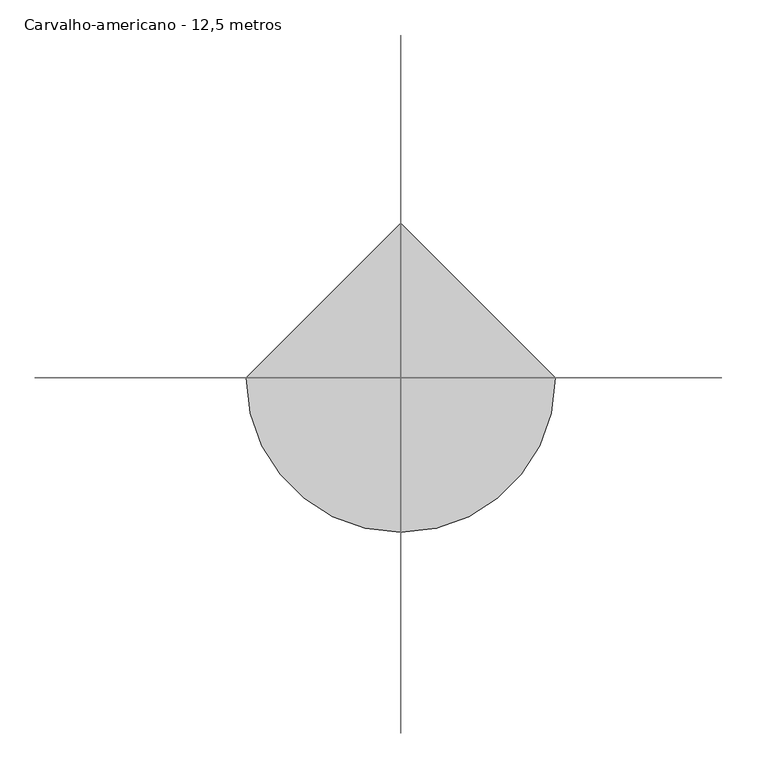
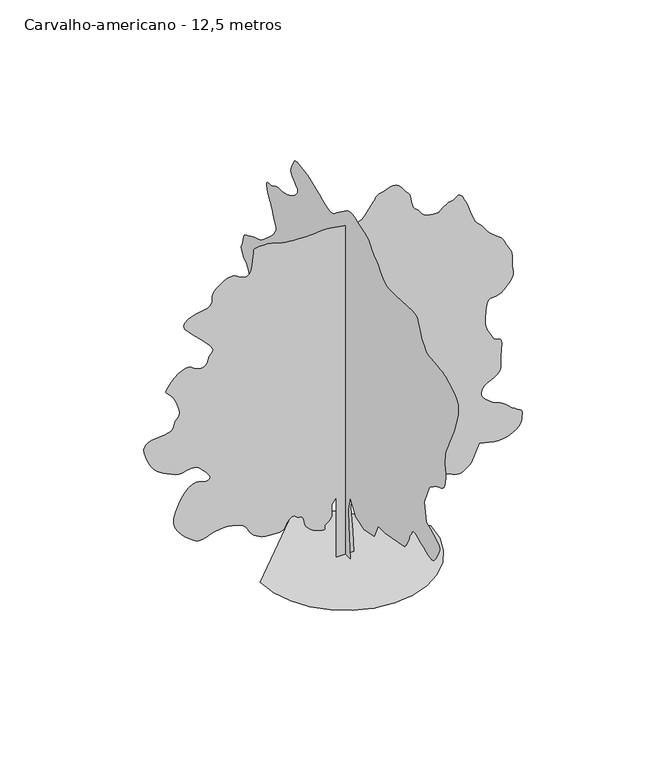
"""IFC4 building model written with IfcOpenShell, lengths in millimetres: geographic element geometry, Carvalho-americano - 12,5 metros."""

from ifc_helpers import new_model, si_unit, origin, place, context, project, spatial, triangles, source, transform, mapped, element, save


def carvalho_americano_12_5_metros_13b38d7d(model_context):
    return source(origin(), model_context, "Body", "Tessellation", [
        triangles([(0.0172504, 306.0074844, 0.0), (0.0172504, -293.5650026, 0.0), (0.0172504, -196.8600042, 1141.1199549), (0.0172504, -177.5184886, 1682.6674953), (0.0172504, -293.5650026, 2185.5349113), (0.0172504, -603.0224945, 1682.6674953), (0.0172504, -1105.8875124, 1527.9400211), (0.0172504, -1686.1174301, 1663.3275421), (0.0172504, -1918.2099495, 2146.8525341), (0.0172504, -2324.3725124, 2146.8525341), (0.0172504, -3446.1498253, 2359.6049549), (0.0172504, -3487.4249222, 2409.394939), (0.0172504, -3527.7000801, 2459.5225479), (0.0172504, -3565.9250725, 2510.3249702), (0.0172504, -3601.0999603, 2562.1500046), (0.0172504, -3632.2248047, 2615.3249565), (0.0172504, -3658.2749588, 2670.2000954), (0.0172504, -3678.2499023, 2727.0748215), (0.0172504, -3697.649881, 2785.6750237), (0.0172504, -3722.1248405, 2845.2748741), (0.0172504, -3750.8248329, 2905.7249634), (0.0172504, -3782.89991, 2966.8500114), (0.0172504, -3817.5248314, 3028.475029), (0.0172504, -3853.8249413, 3090.4500252), (0.0172504, -3890.9999977, 3152.5750122), (0.0172504, -3908.7000801, 3172.6499496), (0.0172504, -3933.1750397, 3188.8498329), (0.0172504, -3971.1750458, 3197.2499016), (0.0172504, -4029.4749756, 3193.9748108), (0.0172504, -4114.8499969, 3175.1500877), (0.0172504, -4234.0499886, 3136.8498093), (0.0172504, -4393.8498276, 3075.2250824), (0.0172504, -4562.5749939, 3002.6998581), (0.0172504, -4706.2499451, 2937.9750298), (0.0172504, -4828.2750549, 2886.4249786), (0.0172504, -4932.0251175, 2853.4999535), (0.0172504, -5020.8999252, 2844.5999153), (0.0172504, -5098.249855, 2865.1248253), (0.0172504, -5167.4996979, 2920.4999336), (0.0172504, -5237.3750839, 3007.7248421), (0.0172504, -5309.5997452, 3113.9000473), (0.0172504, -5377.0996948, 3229.5499649), (0.0172504, -5432.7497864, 3345.1998825), (0.0172504, -5469.4498718, 3451.3750877), (0.0172504, -5480.1248016, 3538.6249947), (0.0172504, -5457.6250122, 3597.424894), (0.0172504, -5402.6498795, 3641.6998077), (0.0172504, -5323.3000717, 3691.0249947), (0.0172504, -5223.6747574, 3744.5999222), (0.0172504, -5107.774855, 3801.5499344), (0.0172504, -4979.7251129, 3861.0500816), (0.0172504, -4843.5499947, 3922.224836), (0.0172504, -4703.3248329, 3984.2498291), (0.0172504, -4587.2749397, 4641.8498062), (0.0172504, -4877.3749649, 5318.7747665), (0.0172504, -4886.5249878, 5331.7001404), (0.0172504, -4900.7247025, 5347.4747589), (0.0172504, -4925.0999588, 5369.0251877), (0.0172504, -4964.6748688, 5399.20009), (0.0172504, -5024.5497025, 5440.8498734), (0.0172504, -5109.8247299, 5496.8999405), (0.0172504, -5225.5246445, 5570.225116), (0.0172504, -5351.0501221, 5636.6501312), (0.0172504, -5462.3497238, 5680.0498077), (0.0172504, -5559.4501923, 5715.3499786), (0.0172504, -5642.3497833, 5757.424736), (0.0172504, -5711.0246613, 5821.1499161), (0.0172504, -5765.4998245, 5921.4001923), (0.0172504, -5805.7496933, 6073.0746552), (0.0172504, -5829.0500153, 6222.0498642), (0.0172504, -5835.7501877, 6317.5748474), (0.0172504, -5830.6249191, 6379.6001312), (0.0172504, -5818.3750854, 6428.1000778), (0.0172504, -5803.7748138, 6483.0246323), (0.0172504, -5791.5499786, 6564.3249023), (0.0172504, -5786.4247101, 6691.9996674), (0.0172504, -5788.2251816, 6832.849791), (0.0172504, -5796.1246994, 6949.6746368), (0.0172504, -5813.8247818, 7056.3751007), (0.0172504, -5845.0496201, 7166.7747574), (0.0172504, -5893.550148, 7294.7750839), (0.0172504, -5963.0249771, 7454.2496521), (0.0172504, -6057.1750443, 7659.049942), (0.0172504, -6146.5748199, 7844.1746887), (0.0172504, -6206.1746704, 7955.8748474), (0.0172504, -6246.4751175, 8024.9497009), (0.0172504, -6277.9999374, 8082.1746964), (0.0172504, -6311.2246536, 8158.3496979), (0.0172504, -6356.599791, 8284.2751511), (0.0172504, -6424.6747055, 8490.6997604), (0.0172504, -6498.0248795, 8729.4997192), (0.0172504, -6547.3747742, 8935.1499573), (0.0172504, -6565.2498459, 9112.3746048), (0.0172504, -6544.199968, 9265.925116), (0.0172504, -6476.8250107, 9400.5250397), (0.0172504, -6355.6498489, 9520.8996689), (0.0172504, -6173.2249374, 9631.8248749), (0.0172504, -5996.2246948, 9723.0001236), (0.0172504, -5879.7998245, 9785.7747803), (0.0172504, -5799.2250916, 9827.2001587), (0.0172504, -5729.799678, 9854.4496582), (0.0172504, -5646.85009, 9874.575174), (0.0172504, -5525.6749283, 9894.699527), (0.0172504, -5341.575119, 9921.9501892), (0.0172504, -5144.0999634, 9943.4244598), (0.0172504, -4990.9500092, 9951.725116), (0.0172504, -4869.5998581, 9962.0244873), (0.0172504, -4767.5499825, 9989.5995483), (0.0172504, -4672.2499855, 10049.6493713), (0.0172504, -4571.2000488, 10157.425351), (0.0172504, -4451.8750648, 10328.0998169), (0.0172504, -4347.6750298, 10515.7499908), (0.0172504, -4286.1000092, 10666.5500885), (0.0172504, -4245.8498497, 10783.8243256), (0.0172504, -4205.5749825, 10871.0003998), (0.0172504, -4143.9999619, 10931.4501984), (0.0172504, -4039.7999268, 10968.5502594), (0.0172504, -3871.650016, 10985.7003754), (0.0172504, -2943.2749969, 10927.6748474), (0.0172504, -2772.1499771, 10930.6746643), (0.0172504, -2632.8250511, 10930.2746887), (0.0172504, -2514.4500092, 10937.3242584), (0.0172504, -2406.244986, 10962.6250397), (0.0172504, -2297.3599171, 11017.0496246), (0.0172504, -2176.9724979, 11111.3752625), (0.0172504, -2034.2549011, 11256.4745453), (0.0172504, -1896.7275398, 11403.0249023), (0.0172504, -1793.7049038, 11502.8746216), (0.0172504, -1717.0749882, 11568.5752625), (0.0172504, -1658.7124168, 11612.6248993), (0.0172504, -1610.5024235, 11647.5250946), (0.0172504, -1564.3199226, 11685.7995026), (0.0172504, -1512.0500027, 11739.9996826), (0.0172504, -1461.8649845, 11803.9992645), (0.0172504, -1420.8125484, 11863.6002777), (0.0172504, -1379.087479, 11919.1503754), (0.0172504, -1326.8724976, 11970.9495392), (0.0172504, -1254.3574471, 12019.4000702), (0.0172504, -1151.7299904, 12064.7996246), (0.0172504, -1009.182514, 12107.4749268), (0.0172504, -849.1549999, 12154.4999634), (0.0172504, -699.9524792, 12206.6002716), (0.0172504, -560.5600064, 12254.6496643), (0.0172504, -429.9675053, 12289.4998627), (0.0172504, -307.1549798, 12302.0246796), (0.0172504, -191.1079934, 12283.0746735), (0.0172504, -80.8134993, 12223.5248199), (0.0172504, 499.4174812, 11798.0252106), (0.0172504, 562.2325061, 11740.8496307), (0.0172504, 623.0199657, 11688.7493225), (0.0172504, 689.217524, 11646.7751404), (0.0172504, 768.2749804, 11620.0500275), (0.0172504, 867.6299623, 11613.6248383), (0.0172504, 994.7275097, 11632.5748444), (0.0172504, 1157.0125168, 11681.9753174), (0.0172504, 1341.1749676, 11755.3243286), (0.0172504, 1526.6899521, 11837.8251068), (0.0172504, 1710.1749733, 11922.0246185), (0.0172504, 1888.2475342, 12000.4500641), (0.0172504, 2057.5249924, 12065.6995697), (0.0172504, 2214.6199093, 12110.3003357), (0.0172504, 2356.1550201, 12126.8249084), (0.0172504, 2484.8875694, 12135.849939), (0.0172504, 2604.4750374, 12156.3742676), (0.0172504, 2712.9248131, 12178.575238), (0.0172504, 2808.1498146, 12192.6743774), (0.0172504, 2888.1748718, 12188.8501923), (0.0172504, 2950.9248207, 12157.2753754), (0.0172504, 2994.400074, 12088.1249451), (0.0172504, 3033.2500282, 12001.2500153), (0.0172504, 3077.8499222, 11921.1246735), (0.0172504, 3119.7499809, 11845.0502472), (0.0172504, 3150.4998482, 11770.3245758), (0.0172504, 3161.6000427, 11694.2745667), (0.0172504, 3144.6249161, 11614.1503876), (0.0172504, 3091.124984, 11527.2498779), (0.0172504, 3009.2500397, 11447.6245056), (0.0172504, 2921.5998665, 11385.2492432), (0.0172504, 2841.4248184, 11331.3502075), (0.0172504, 2781.8749649, 11277.1000305), (0.0172504, 2756.1750801, 11213.7248291), (0.0172504, 2777.4749428, 11132.4251404), (0.0172504, 2859.0249069, 11024.3747589), (0.0172504, 2971.6250107, 10916.724353), (0.0172504, 3077.7999252, 10838.2000763), (0.0172504, 3178.2249001, 10782.3), (0.0172504, 3273.574894, 10742.6745117), (0.0172504, 3364.5248657, 10712.8251709), (0.0172504, 3451.7750633, 10686.4000397), (0.0172504, 3535.9498672, 10656.8995148), (0.0172504, 3620.024968, 10634.1753204), (0.0172504, 3706.4749237, 10626.6746155), (0.0172504, 3795.2750267, 10625.9502411), (0.0172504, 3886.4499847, 10623.5248077), (0.0172504, 3979.9997978, 10610.9499939), (0.0172504, 4075.9250473, 10579.7495728), (0.0172504, 4174.1998627, 10521.5252197), (0.0172504, 4275.775058, 10469.7993073), (0.0172504, 4375.6250679, 10451.2492767), (0.0172504, 4464.9998451, 10446.8995422), (0.0172504, 4535.0999268, 10437.8245148), (0.0172504, 4577.0999794, 10405.075351), (0.0172504, 4582.2249573, 10329.6753021), (0.0172504, 4541.6998146, 10192.7243591), (0.0172504, 4481.7999825, 10048.5994354), (0.0172504, 4432.0748199, 9951.4995483), (0.0172504, 4388.424868, 9882.1247131), (0.0172504, 4346.824791, 9821.224942), (0.0172504, 4303.174839, 9749.4996689), (0.0172504, 4253.4249687, 9647.6750702), (0.0172504, 4193.5498444, 9496.4499985), (0.0172504, 4130.2749275, 9347.6997757), (0.0172504, 4075.8250534, 9253.7496964), (0.0172504, 4034.1999779, 9195.999733), (0.0172504, 4009.500032, 9155.8498581), (0.0172504, 4005.7749687, 9114.7000443), (0.0172504, 4027.0998299, 9053.8996857), (0.0172504, 4077.4999512, 8954.8999146), (0.0172504, 4167.2249977, 8823.6747849), (0.0172504, 4293.1248711, 8684.3501495), (0.0172504, 4439.3499573, 8545.349913), (0.0172504, 4589.9500671, 8415.1497208), (0.0172504, 4729.0750053, 8302.1996384), (0.0172504, 4840.7748734, 8214.9747299), (0.0172504, 4909.1747681, 8161.9000626), (0.0172504, 4969.9001312, 8128.6997635), (0.0172504, 5061.0747986, 8095.1500671), (0.0172504, 5170.5250946, 8060.9248306), (0.0172504, 5286.0750183, 8025.6746567), (0.0172504, 5395.524733, 7989.0751465), (0.0172504, 5486.6999817, 7950.8001572), (0.0172504, 5547.4247635, 7910.4747116), (0.0172504, 5598.275148, 7876.9750122), (0.0172504, 5663.0246841, 7853.2997131), (0.0172504, 5734.1749924, 7830.2999542), (0.0172504, 5804.3247803, 7798.8251312), (0.0172504, 5866.0250839, 7749.7746368), (0.0172504, 5911.8001968, 7673.9746124), (0.0172504, 5934.2499893, 7562.325032), (0.0172504, 5952.6250305, 7450.1749008), (0.0172504, 5984.1998474, 7370.8500916), (0.0172504, 6018.4750809, 7312.1496048), (0.0172504, 6044.9996246, 7261.899765), (0.0172504, 6053.224704, 7207.9501511), (0.0172504, 6032.699794, 7138.074765), (0.0172504, 5972.9249542, 7040.1249298), (0.0172504, 5898.7248322, 6948.3747162), (0.0172504, 5838.7250061, 6893.5251572), (0.0172504, 5788.2001831, 6857.9500031), (0.0172504, 5742.4000717, 6824.0497467), (0.0172504, 5696.6249588, 6774.2498795), (0.0172504, 5646.1001358, 6690.9747299), (0.0172504, 5586.0997284, 6556.5997925), (0.0172504, 5520.6996506, 6421.9998688), (0.0172504, 5460.6998245, 6337.1498154), (0.0172504, 5411.5249191, 6283.0746277), (0.0172504, 5378.6001846, 6240.824881), (0.0172504, 5367.3247101, 6191.4999847), (0.0172504, 5383.09991, 6116.0999359), (0.0172504, 5431.3748703, 5995.7247253), (0.0172504, 5495.5000259, 5864.0496231), (0.0172504, 5555.8748291, 5761.8250488), (0.0172504, 5613.5747955, 5680.5747757), (0.0172504, 5669.5498672, 5611.8249023), (0.0172504, 5724.8749786, 5547.1497803), (0.0172504, 5780.5250702, 5478.0749268), (0.0172504, 5837.5250793, 5396.1496948), (0.0172504, 5903.6751114, 5315.3499756), (0.0172504, 5980.6500641, 5249.4249298), (0.0172504, 6060.324852, 5189.6000931), (0.0172504, 6134.5999695, 5127.0498413), (0.0172504, 6195.3247513, 5053.0247086), (0.0172504, 6234.3996918, 4958.6746536), (0.0172504, 6243.6997055, 4835.2499199), (0.0172504, 6251.5248093, 4738.3250221), (0.0172504, 6280.349794, 4706.349939), (0.0172504, 6313.2251129, 4704.825032), (0.0172504, 6333.2500534, 4699.249791), (0.0172504, 6323.4750687, 4655.0998695), (0.0172504, 6267.0500244, 4537.8750481), (0.0172504, 6146.999794, 4313.0498177), (0.0172504, 6021.4748978, 4060.8748032), (0.0172504, 5945.6998718, 3875.3750793), (0.0172504, 5898.3248566, 3742.6250427), (0.0172504, 5858.0749878, 3648.7999557), (0.0172504, 5803.5998245, 3580.0000854), (0.0172504, 5713.6000854, 3522.3748238), (0.0172504, 5566.7747452, 3462.0500175), (0.0172504, 5397.2496277, 3413.0998077), (0.0172504, 5248.0500137, 3392.5748978), (0.0172504, 5111.0246567, 3390.9999939), (0.0172504, 4978.0746323, 3398.8998024), (0.0172504, 4841.0498566, 3406.7749031), (0.0172504, 4691.8499519, 3405.1999992), (0.0172504, 4522.3498329, 3384.6750893), (0.0172504, 4353.2999771, 3366.3000481), (0.0172504, 4207.2498802, 3370.249807), (0.0172504, 4078.7998718, 3385.7000267), (0.0172504, 3962.5249924, 3401.8249146), (0.0172504, 3853.0249901, 3407.7998405), (0.0172504, 3744.8749054, 3392.799884), (0.0172504, 3632.6500694, 3345.9998337), (0.0172504, 3525.249939, 3296.2499634), (0.0172504, 3436.4248375, 3270.1998093), (0.0172504, 3368.249929, 3253.6249489), (0.0172504, 3322.75009, 3232.3250862), (0.0172504, 3301.9499062, 3192.0499283), (0.0172504, 3307.8748352, 3118.6500481), (0.0172504, 3342.5500443, 2997.8498634), (0.0172504, 3398.4748283, 2869.5248474), (0.0172504, 3465.5748024, 2778.7248665), (0.0172504, 3542.0000793, 2719.2500084), (0.0172504, 3625.8499031, 2684.8000763), (0.0172504, 3715.274968, 2669.1248703), (0.0172504, 3808.4248055, 2665.9500641), (0.0172504, 3903.4248207, 2669.0498749), (0.0172504, 4270.9250633, 2262.8999565), (0.0172504, 4299.7250496, 2217.1674282), (0.0172504, 4327.3498169, 2170.5925095), (0.0172504, 4352.6250183, 2122.3249615), (0.0172504, 4374.3248566, 2071.5174522), (0.0172504, 4391.2999832, 2017.3299168), (0.0172504, 4402.3498901, 1958.9124069), (0.0172504, 4406.2999397, 1895.4199162), (0.0172504, 4405.6249809, 1829.2200325), (0.0172504, 4400.8999786, 1763.6974331), (0.0172504, 4388.0248924, 1699.5299835), (0.0172504, 4362.9999664, 1637.3900265), (0.0172504, 4321.7248695, 1577.9574623), (0.0172504, 4260.1498489, 1521.9075405), (0.0172504, 4174.1998627, 1469.9175453), (0.0172504, 4092.2249245, 1425.7650078), (0.0172504, 4034.5999535, 1391.4249527), (0.0172504, 3985.4250481, 1364.8674168), (0.0172504, 3928.800016, 1344.0599659), (0.0172504, 3848.8499542, 1326.9749622), (0.0172504, 3729.6499626, 1311.5799717), (0.0172504, 3555.2998489, 1295.8475018), (0.0172504, 3356.9750359, 1298.1024513), (0.0172504, 3174.2248535, 1332.8375404), (0.0172504, 3003.6500908, 1392.27243), (0.0172504, 2841.8750816, 1468.6199501), (0.0172504, 2685.525032, 1554.1049938), (0.0172504, 2531.1748604, 1640.9424259), (0.0172504, 2375.4949734, 1721.3500179), (0.0172504, 2236.6674007, 1794.4849434), (0.0172504, 2129.3049133, 1863.5599422), (0.0172504, 2044.6099377, 1926.8850014), (0.0172504, 1973.7875164, 1982.7650208), (0.0172504, 1908.0399307, 2029.5099873), (0.0172504, 1838.5700432, 2065.4300331), (0.0172504, 1756.5824604, 2088.8299129), (0.0172504, 1666.4174698, 2108.5649002), (0.0172504, 1577.6074837, 2133.0375343), (0.0172504, 1489.134977, 2159.8799366), (0.0172504, 1399.9875114, 2186.7200134), (0.0172504, 1309.1449459, 2211.1925022), (0.0172504, 1215.5974583, 2230.9274895), (0.0172504, 1118.3299942, 2243.5575325), (0.0172504, 1018.8625191, 2250.1549496), (0.0172504, 919.3925005, 2253.7074944), (0.0172504, 819.9249527, 2254.7224033), (0.0172504, 720.4574776, 2253.7074944), (0.0172504, 620.9900024, 2251.1700039), (0.0172504, 521.5199839, 2247.6174591), (0.0172504, 422.0525087, 2243.5575325), (0.0172504, 228.6430025, 1953.4425373), (0.0172504, 189.960498, 1508.5999226), (280.4450004, 0.0006008, 0.0092122), (-299.78499, 0.0006008, 0.0092122), (-299.78499, 0.0004756, 2127.5199932), (-454.5149895, 0.0004756, 1914.7698978), (-454.5149895, 0.0005007, 1682.6775238), (-450.962481, 0.0005007, 1628.8274677), (-450.962481, 0.0005007, 1575.1449886), (-458.0674979, 0.0005007, 1521.8024597), (-475.8274967, 0.0005257, 1468.967458), (-507.8000001, 0.0005257, 1416.8100311), (-557.5350094, 0.0005257, 1365.4949947), (-628.5824896, 0.0005257, 1315.1974834), (-684.2375227, 0.0005257, 1262.982502), (-699.6325132, 0.0005257, 1210.0899456), (-696.0799685, 0.0005257, 1162.9524885), (-694.8950117, 0.0005257, 1127.990015), (-717.3950191, 0.0005257, 1111.6374521), (-784.8899546, 0.0005257, 1120.3224598), (-918.6974848, 0.0005257, 1160.4700092), (-1071.3399845, 0.0005257, 1223.0050003), (-1185.4124548, 0.0005257, 1293.6575191), (-1267.3424103, 0.0005257, 1371.0799736), (-1323.5625252, 0.0005257, 1453.9124176), (-1360.49748, 0.0005007, 1540.8049335), (-1384.5749348, 0.0005007, 1630.4049877), (-1402.2250202, 0.0005007, 1721.359901), (-1406.7349194, 0.0005007, 1746.1124599), (-1413.4449749, 0.0005007, 1770.1899147), (-1424.5524364, 0.0005007, 1792.9174519), (-1442.2599312, 0.0005007, 1813.6099388), (-1468.7599125, 0.0005007, 1831.5975037), (-1506.2599491, 0.0005007, 1846.2024261), (-1556.9524944, 0.0005007, 1856.747422), (-1607.6450397, 0.0005007, 1874.1124958), (-1647.509903, 0.0005007, 1903.3224861), (-1682.3024014, 0.0004756, 1934.8999191), (-1717.7700039, 0.0004756, 1959.3724079), (-1759.6674465, 0.0004756, 1967.2674202), (-1813.7424889, 0.0004756, 1949.1099529), (-1885.7500122, 0.0005007, 1895.4274738), (-1949.0724552, 0.0005007, 1820.3199944), (-1984.9925011, 0.0005007, 1746.902528), (-2011.0999191, 0.0005007, 1679.2374722), (-2044.9875309, 0.0005007, 1621.382428), (-2104.2525181, 0.0005007, 1577.402409), (-2206.4824699, 0.0005007, 1551.3499294), (-2369.2750042, 0.0005007, 1547.2900028), (-2549.149926, 0.0005007, 1559.2449417), (-2695.2000229, 0.0005007, 1578.979929), (-2813.8250496, 0.0005007, 1607.1750103), (-2911.4999016, 0.0005007, 1644.5025284), (-2994.6250603, 0.0005007, 1691.6425289), (-3069.5998444, 0.0005007, 1749.2724415), (-3142.9250198, 0.0005007, 1818.0648994), (-3205.1000038, 0.0005007, 1893.5100037), (-3249.7248962, 0.0004756, 1969.2975288), (-3287.549913, 0.0004756, 2043.389954), (-3329.4499718, 0.0004756, 2113.7624027), (-3386.2249947, 0.0004756, 2178.3824409), (-3468.7249008, 0.0004756, 2235.2224308), (-3587.7499031, 0.0004756, 2282.2499382), (-3707.4248657, 0.0004756, 2317.9974655), (-3794.2497986, 0.0004506, 2343.2600224), (-3862.8249733, 0.0004506, 2359.3875263), (-3927.674794, 0.0004506, 2367.7325111), (-4003.3248276, 0.0004506, 2369.6499813), (-4104.3750549, 0.0004506, 2366.4924706), (-4245.3498802, 0.0004506, 2359.6125126), (-4400.3500122, 0.0004506, 2335.1974331), (-4538.1250328, 0.0004756, 2289.8050003), (-4665.0498436, 0.0004756, 2240.3524956), (-4787.5749229, 0.0004756, 2203.7574909), (-4912.1501678, 0.0004756, 2196.9349422), (-5045.1501892, 0.0004756, 2236.7999508), (-5193.0498825, 0.0004506, 2340.272414), (-5347.7997391, 0.0004506, 2478.6475433), (-5490.6747391, 0.0004506, 2615.9999153), (-5612.2498764, 0.0004256, 2758.4499413), (-5703.0251495, 0.0004256, 2912.049868), (-5753.5499725, 0.0004256, 3082.8999046), (-5754.3499237, 0.0004005, 3277.0999695), (-5695.9250015, 0.0004005, 3500.7249825), (-5598.1501556, 0.0003755, 3726.2748779), (-5489.1998291, 0.0003755, 3919.6999901), (-5372.1499969, 0.0003505, 4077.2499664), (-5250.0248932, 0.0003505, 4195.2000343), (-5125.8499146, 0.0003505, 4269.8498383), (-5002.6998734, 0.0003505, 4297.4998947), (-4883.6001663, 0.0003505, 4274.3748528), (-4771.2750458, 0.0003505, 4235.4749016), (-4671.8250114, 0.0003505, 4218.8750427), (-4593.3248611, 0.0003505, 4225.6499199), (-4543.9249695, 0.0003505, 4256.7750549), (-4531.7498405, 0.0003505, 4313.2748039), (-4564.899852, 0.0003505, 4396.1749763), (-4651.4997986, 0.0003254, 4506.4749298), (-4752.500029, 0.0003254, 4617.0998634), (-4829.4749817, 0.0003254, 4702.3498924), (-4891.5496811, 0.0003254, 4765.2748306), (-4947.8747314, 0.0003254, 4808.9247826), (-5007.6001556, 0.0003254, 4836.3248543), (-5079.8248169, 0.0003004, 4850.5498581), (-5173.7248993, 0.0003004, 4854.5999016), (-5270.0248352, 0.0003254, 4845.5248741), (-5349.7751999, 0.0003254, 4824.5999886), (-5422.3998367, 0.0003254, 4801.3249557), (-5497.39991, 0.0003254, 4785.1247818), (-5584.2248428, 0.0003254, 4785.5250481), (-5692.3746368, 0.0003254, 4811.9748871), (-5831.3248764, 0.0003004, 4873.9498833), (-5978.7751785, 0.0003004, 4948.0997177), (-6108.6248108, 0.0003004, 5012.4248611), (-6224.624707, 0.0003004, 5078.4748993), (-6330.4496429, 0.0003004, 5157.6997147), (-6429.8749695, 0.0003004, 5261.5997681), (-6526.574881, 0.0002754, 5401.7249359), (-6624.2997299, 0.0002754, 5589.5750977), (-6705.1000305, 0.0002503, 5784.4998276), (-6749.6996338, 0.0002503, 5941.2001465), (-6759.8001801, 0.0002503, 6064.0746231), (-6737.074823, 0.0002253, 6157.4997345), (-6683.2246216, 0.0002253, 6225.8996292), (-6599.9500534, 0.0002253, 6273.6496216), (-6488.899855, 0.0002253, 6305.1750229), (-6357.7997177, 0.0002253, 6323.2750809), (-6219.2750336, 0.0002253, 6333.9500107), (-6082.3996674, 0.0002253, 6346.2748398), (-5956.3748016, 0.0002253, 6369.4501694), (-5850.3248795, 0.0002253, 6412.5998611), (-5773.3499268, 0.0002253, 6484.8251038), (-5734.5999664, 0.0002003, 6595.2997559), (-5705.9749695, 0.0002003, 6701.9746399), (-5661.749762, 0.0002003, 6771.4500504), (-5614.8497177, 0.0002003, 6825.699646), (-5578.0746368, 0.0002003, 6886.6999924), (-5564.3248947, 0.0001752, 6976.4747452), (-5586.4247086, 0.0001752, 7116.9998886), (-5657.2500366, 0.0001752, 7330.2496628), (-5757.5497284, 0.0001502, 7540.2996323), (-5853.4746872, 0.0001502, 7672.5247009), (-5935.8498917, 0.0001502, 7750.975145), (-5995.5747345, 0.0001252, 7799.6250824), (-6023.4747757, 0.0001252, 7842.5247894), (-6010.4499893, 0.0001252, 7903.7251236), (-5947.3497711, 0.0001252, 8007.1996216), (-5845.6501648, 0.0001252, 8136.3248795), (-5728.0247864, 0.0001001, 8253.9496765), (-5602.2749039, 0.0001001, 8353.3000076), (-5476.1750427, 0.0001001, 8427.6251221), (-5357.5497253, 0.0001001, 8470.1248535), (-5254.1246429, 0.0001001, 8474.0746124), (-5173.7248993, 0.0001001, 8432.6998123), (-5094.9000595, 0.0001001, 8371.00009), (-4997.8001724, 0.0001001, 8322.8501221), (-4892.5751999, 0.0001001, 8294.6500992), (-4789.3748131, 0.0001001, 8292.8496277), (-4698.3748444, 0.0001001, 8323.8750595), (-4629.6999664, 0.0001001, 8394.1248413), (-4593.4998505, 0.0001001, 8510.0497421), (-4560.3248405, 0.0001001, 8620.5749725), (-4508.224823, 7.51e-05, 8686.1000427), (-4458.4999512, 7.51e-05, 8730.2996704), (-4432.4497971, 7.51e-05, 8776.8747345), (-4451.3998032, 7.51e-05, 8849.4999527), (-4536.6498322, 7.51e-05, 8971.8750412), (-4709.5500343, 5.01e-05, 9167.6497192), (-4926.3498825, 5.01e-05, 9388.7995926), (-5120.1496811, 2.5e-05, 9575.0998489), (-5277.4249649, 2.5e-05, 9731.9745758), (-5384.5998184, 2.5e-05, 9864.8246063), (-5428.2000641, 0.0, 9979.0746094), (-5394.6497864, 0.0, 10080.1254181), (-5270.4248108, 0.0, 10173.3743774), (-5104.7500397, 0.0, 10245.2246429), (-4956.3497955, 0.0, 10286.2744629), (-4825.8749107, 0.0, 10308.3742767), (-4714.0000534, -2.5e-05, 10323.3745239), (-4621.3998917, -2.5e-05, 10343.1000641), (-4548.7749641, -2.5e-05, 10379.4245911), (-4496.7749405, -2.5e-05, 10444.1497101), (-4470.8500694, -2.5e-05, 10520.7252686), (-4466.9000198, -2.5e-05, 10587.8246613), (-4471.4000359, -2.5e-05, 10650.1999237), (-4470.8500694, -2.5e-05, 10712.5751862), (-4451.6747864, -5.01e-05, 10779.6745789), (-4400.3500122, -5.01e-05, 10856.2501373), (-4303.3748268, -5.01e-05, 10947.0248291), (-4184.6748047, -5.01e-05, 11036.8495789), (-4076.1250351, -5.01e-05, 11106.7243835), (-3976.0500389, -7.51e-05, 11155.5993073), (-3882.7249214, -7.51e-05, 11182.4999908), (-3794.4750755, -7.51e-05, 11186.3997528), (-3709.6000237, -7.51e-05, 11166.2498199), (-3626.4498665, -5.01e-05, 11121.1002502), (-3540.7248665, -5.01e-05, 11065.9001312), (-3452.3250298, -5.01e-05, 11022.8748505), (-3365.6000908, -5.01e-05, 11001.8249725), (-3284.9500717, -5.01e-05, 11012.5998962), (-3214.7999931, -5.01e-05, 11064.9746063), (-3159.5498772, -7.51e-05, 11168.7996643), (-3123.5750381, -7.51e-05, 11333.8500549), (-3102.0998955, -7.51e-05, 11511.0752838), (-3086.6999634, -0.0001001, 11648.0250641), (-3076.3750122, -0.0001001, 11749.4746857), (-3070.1248123, -0.0001001, 11820.1250244), (-3066.9000092, -0.0001001, 11864.7246277), (-3065.7250809, -0.0001001, 11888.0243683), (-3065.5500916, -0.0001001, 11894.7251221), (-3040.1248993, -0.0001001, 11898.674881), (-2971.0500458, -0.0001001, 11907.37435), (-2869.1498703, -0.0001001, 11916.0494019), (-2745.2748734, -0.0001001, 11920.0003235), (-2610.2249771, -0.0001001, 11914.4750793), (-2474.8323692, -0.0001001, 11894.7251221), (-2349.9349056, -0.0001001, 11856.0495758), (-2235.4099194, -0.0001001, 11813.024295), (-2120.5474537, -0.0001001, 11781.8494537), (-2000.2725277, -0.0001001, 11760.1251984), (-1869.507399, -0.0001001, 11745.5249268), (-1723.1824642, -0.0001001, 11735.6743652), (-1556.2175102, -0.0001001, 11728.174823), (-1363.5400269, -0.0001001, 11720.6752808), (-1177.5749971, -0.0001001, 11719.599765), (-1024.4249702, -0.0001001, 11728.6747925), (-889.5449764, -0.0001001, 11741.475174), (-758.3875025, -0.0001001, 11751.5745575), (-616.4049625, -0.0001001, 11752.5244995), (-449.0450109, -0.0001001, 11737.9253906), (-241.7632409, -0.0001001, 11701.3252991), (-32.2257492, -0.0001001, 11657.8000488), (136.7124946, -0.0001001, 11627.7995544), (271.8174929, -0.0001001, 11613.0248749), (379.8574825, -0.0001001, 11615.1503265), (467.5974758, -0.0001001, 11635.9246399), (541.8025031, -0.0001001, 11676.9744598), (609.2425, -0.0001001, 11739.9996826), (899.3574589, -0.0001252, 12107.4749268), (942.8899761, -0.0001252, 12164.1493744), (977.6249926, -0.0001252, 12217.4496094), (1008.9749685, -0.0001252, 12266.3245331), (1042.3574512, -0.0001252, 12309.7997864), (1083.1825029, -0.0001252, 12346.8498505), (1136.864982, -0.0001252, 12376.4503693), (1208.8149508, -0.0001252, 12397.6002411), (1297.0049892, -0.0001502, 12421.8499237), (1393.3149536, -0.0001502, 12454.2246918), (1494.0224693, -0.0001502, 12483.8752075), (1595.4100307, -0.0001502, 12499.9998047), (1693.7499584, -0.0001502, 12491.7747253), (1785.3224213, -0.0001502, 12448.349469), (1866.4099136, -0.0001252, 12358.9246948), (1938.4149662, -0.0001252, 12256.9251068), (2004.3324543, -0.0001252, 12177.5752991), (2062.8075188, -0.0001252, 12112.7746033), (2112.4850098, -0.0001252, 12054.4246765), (2152.0125389, -0.0001252, 11994.3748535), (2180.0374271, -0.0001001, 11924.5000488), (2195.2049606, -0.0001001, 11836.6995941), (2205.7499565, -0.0001001, 11745.6993347), (2220.3550243, -0.0001001, 11669.9248901), (2238.3424438, -0.0001001, 11606.8252533), (2259.0349308, -7.51e-05, 11553.8749969), (2281.7599972, -7.51e-05, 11508.5242767), (2305.8374519, -7.51e-05, 11468.274408), (2330.5924816, -7.51e-05, 11430.5499664), (2355.6274361, -7.51e-05, 11413.5742584), (2381.6799156, -7.51e-05, 11394.2242767), (2409.760033, -7.51e-05, 11370.1501648), (2440.8873482, -7.51e-05, 11338.9753235), (2476.0724098, -7.51e-05, 11298.3243164), (2516.3248947, -7.51e-05, 11245.8251953), (2562.6749725, -7.51e-05, 11179.1246155), (2631.3748489, -5.01e-05, 11115.7249969), (2728.4750267, -5.01e-05, 11072.3253204), (2839.7749191, -5.01e-05, 11045.1246552), (2951.0748116, -5.01e-05, 11030.4743866), (3048.1749893, -5.01e-05, 11024.6003265), (3116.8748657, -5.01e-05, 11023.8247925), (3142.9250198, -5.01e-05, 11024.4003387), (3156.2750771, -5.01e-05, 11038.3250702), (3192.9998703, -5.01e-05, 11074.2252045), (3247.9750031, -5.01e-05, 11123.3501129), (3316.1499115, -7.51e-05, 11176.8503357), (3392.4249069, -7.51e-05, 11225.9752441), (3471.7750053, -7.51e-05, 11261.8997955), (3549.0749382, -7.51e-05, 11275.824527), (3618.3750687, -7.51e-05, 11292.800235), (3679.549823, -7.51e-05, 11331.0746429), (3736.3498444, -7.51e-05, 11371.7244873), (3792.4499084, -7.51e-05, 11395.8253418), (3851.6000771, -7.51e-05, 11384.3748779), (3917.5248322, -7.51e-05, 11318.4498322), (3993.9248199, -7.51e-05, 11179.1246155), (4065.8750793, -5.01e-05, 11015.4253052), (4119.5500008, -5.01e-05, 10883.1996552), (4160.3748344, -5.01e-05, 10773.6249481), (4193.7498322, -2.5e-05, 10677.9493927), (4225.0999535, -2.5e-05, 10587.3246918), (4259.8498672, -2.5e-05, 10493.0002167), (4303.3748268, -2.5e-05, 10386.1253448), (4348.1000038, 0.0, 10292.3496735), (4386.3749931, 0.0, 10232.749823), (4423.6500435, 0.0, 10191.7744171), (4465.3248253, 0.0, 10153.824408), (4516.799881, 0.0, 10103.3495819), (4583.4998795, 0.0, 10024.7997253), (4670.850071, 0.0, 9902.6002075), (4778.3749031, 2.5e-05, 9766.6003693), (4896.3999664, 2.5e-05, 9652.9247498), (5016.4501968, 2.5e-05, 9555.474884), (5130.0746567, 5.01e-05, 9468.1999786), (5228.8000259, 5.01e-05, 9384.974826), (5304.2000748, 5.01e-05, 9299.6997986), (5347.7997391, 5.01e-05, 9206.3246841), (5382.0249756, 5.01e-05, 9114.7500412), (5429.774968, 7.51e-05, 9032.6498199), (5483.3001892, 7.51e-05, 8950.5495987), (5534.7749542, 7.51e-05, 8858.9749557), (5576.449736, 7.51e-05, 8748.4747238), (5600.5250107, 0.0001001, 8609.5250656), (5599.22509, 0.0001001, 8432.6998123), (5596.5746704, 0.0001001, 8262.7497208), (5611.174942, 0.0001252, 8138.7997284), (5627.1251312, 0.0001252, 8042.949765), (5628.5500443, 0.0001252, 7957.224765), (5599.5000732, 0.0001252, 7863.7496567), (5524.1250229, 0.0001502, 7744.5249573), (5386.474704, 0.0001502, 7581.6750137), (5223.124791, 0.0001502, 7444.9496384), (5081.4247192, 0.0001502, 7390.0750809), (4961.7000504, 0.0001502, 7378.1746445), (4864.3248894, 0.0001502, 7370.3501221), (4789.5997993, 0.0001752, 7327.6498215), (4737.9000481, 0.0001752, 7211.2249512), (4709.5250359, 0.0001752, 6982.1249817), (4698.9248108, 0.0002003, 6728.5997589), (4700.5250038, 0.0002003, 6550.1751846), (4714.6000168, 0.0002253, 6424.8996918), (4741.5748238, 0.0002253, 6330.7246262), (4781.7249893, 0.0002253, 6245.7001648), (4835.3999107, 0.0002253, 6147.7997452), (4902.950148, 0.0002503, 6015.074707), (4980.0250946, 0.0002503, 5899.6497757), (5057.7999985, 0.0002503, 5847.1500732), (5129.7996735, 0.0002503, 5825.7746338), (5189.6250916, 0.0002503, 5803.7248169), (5230.8499008, 0.0002503, 5749.1996567), (5247.0250763, 0.0002754, 5630.3749329), (5231.7498459, 0.0002754, 5415.4996765), (5210.9999496, 0.0003004, 5178.6001831), (5207.8251434, 0.0003004, 5005.3247131), (5211.4499222, 0.0003004, 4881.0997375), (5210.9999496, 0.0003254, 4791.3999802), (5195.6497238, 0.0003254, 4721.6498772), (5154.5999039, 0.0003254, 4657.3000259), (5077.0249878, 0.0003254, 4583.8248596), (4983.2998947, 0.0003254, 4514.9249954), (4900.3997223, 0.0003254, 4468.3499313), (4827.3248222, 0.0003254, 4435.6498924), (4763.0499664, 0.0003505, 4408.3498146), (4706.5499268, 0.0003505, 4378.0249214), (4656.8250549, 0.0003505, 4336.1748596), (4612.8248337, 0.0003505, 4274.3748528), (4577.8749321, 0.0003505, 4202.8248596), (4558.1249748, 0.0003505, 4135.32491), (4557.0000435, 0.0003505, 4068.8498978), (4577.8749321, 0.0003755, 4000.3250107), (4624.1000175, 0.0003755, 3926.7498505), (4699.0998001, 0.0003755, 3845.024897), (4806.2499458, 0.0003755, 3752.1750412), (4919.7997009, 0.0003755, 3670.8000664), (5016.1246353, 0.0003755, 3617.4998314), (5101.5996506, 0.0004005, 3580.1250778), (5182.6999329, 0.0004005, 3546.4748062), (5265.8000931, 0.0004005, 3504.3500519), (5357.374736, 0.0004005, 3441.5748138), (5463.8246338, 0.0004005, 3345.9998337), (5576.8497116, 0.0004005, 3247.2750458), (5681.0497467, 0.0004005, 3176.6249977), (5772.3999847, 0.0004256, 3124.2249985), (5846.8250931, 0.0004256, 3080.3000633), (5900.2747375, 0.0004256, 3035.0249199), (5928.6997467, 0.0004256, 2978.5748772), (5928.0247879, 0.0004256, 2901.1499519), (5916.924884, 0.0004256, 2813.2500847), (5910.1997131, 0.0004506, 2730.7498878), (5898.0748718, 0.0004506, 2651.975045), (5870.7247971, 0.0004506, 2575.2500771), (5818.350087, 0.0004506, 2498.8349739), (5731.1251785, 0.0004506, 2421.0748947), (5599.22509, 0.0004506, 2340.272414), (5441.7248199, 0.0004756, 2274.8624531), (5284.2501297, 0.0004756, 2240.917432), (5126.7498596, 0.0004756, 2233.1924675), (4969.2501709, 0.0004756, 2246.4425308), (4811.7748993, 0.0004756, 2275.4249187), (4654.2749199, 0.0004756, 2314.8975094), (4496.7749405, 0.0004506, 2359.6125126), (4225.9998985, 0.0005007, 1760.0424236), (4159.6498787, 0.0005007, 1702.5250042), (4092.9248817, 0.0005007, 1648.0549278), (4025.5499245, 0.0005007, 1599.675032), (3957.1500298, 0.0005007, 1560.4274277), (3887.3999268, 0.0005007, 1533.3625099), (3815.9499275, 0.0005007, 1521.5225349), (3742.4750519, 0.0005007, 1527.9499043), (3682.5999275, 0.0005007, 1542.5525013), (3644.6999153, 0.0005007, 1554.7899811), (3617.6498222, 0.0005007, 1567.0274609), (3590.2500412, 0.0005007, 1581.6299126), (3551.3248009, 0.0005007, 1600.9724819), (3489.750071, 0.0005007, 1627.4175247), (3394.3500801, 0.0005007, 1663.3374252), (3270.0748169, 0.0005007, 1715.4949974), (3134.2999649, 0.0005007, 1784.5699963), (2994.450071, 0.0005007, 1863.794957), (2857.9999695, 0.0004756, 1946.4024147), (2732.3500809, 0.0004756, 2025.6275208), (2624.9999474, 0.0004756, 2094.7025196), (2543.3499893, 0.0004756, 2146.8624172), (2474.2123489, 0.0004756, 2192.817461), (2400.0074306, 0.0004756, 2246.8925034), (2321.5699219, 0.0004756, 2307.7374813), (2239.7525322, 0.0004506, 2373.9924488), (2155.3950359, 0.0004506, 2444.3074883), (2069.3475266, 0.0004506, 2517.3248337), (1982.4550106, 0.0004506, 2591.6999451), (1963.1124413, 0.0004256, 2881.8249687), (1576.2924477, 0.0004256, 2920.4999336), (880.0149622, 0.0004256, 2862.474987), (415.8325032, 0.0004506, 2611.0499268), (222.421489, 0.0004756, 2146.8624172), (183.7397477, 0.0005007, 1605.3124786), (241.7622416, 0.0005507, 715.6274672), (-2855.9000977, 0.0, 0.0224297), (-2780.4000549, -654.3849844, 0.0224297), (-2565.3750984, -1255.3350037, 0.0224297), (-2228.0499035, -1785.6274899, 0.0224297), (-1785.6274899, -2228.0499035, 0.0224297), (-1255.3350037, -2565.3750984, 0.0224297), (-654.3849844, -2780.4000549, 0.0224297), (0.0001248, -2855.9000977, 0.0224297), (654.3849844, -2780.4000549, 0.0224297), (1255.3350037, -2565.3750984, 0.0224297), (1785.6274899, -2228.0499035, 0.0224297), (2228.0499035, -1785.6274899, 0.0224297), (2565.3750984, -1255.3350037, 0.0224297), (2780.4000549, -654.3849844, 0.0224297), (2855.9000977, 0.0002503, 0.0224297), (-0.0003745, 2855.9000977, 0.0224297)], [[1, 2, 3], [368, 1, 3], [368, 3, 4], [367, 368, 4], [367, 4, 5], [277, 278, 279], [366, 367, 5], [276, 277, 279], [276, 279, 280], [7, 8, 9], [6, 7, 9], [5, 6, 9], [315, 316, 317], [201, 202, 203], [200, 201, 203], [200, 203, 204], [199, 200, 204], [199, 204, 205], [198, 199, 205], [198, 205, 206], [198, 206, 207], [197, 198, 207], [197, 207, 208], [275, 276, 280], [196, 197, 208], [195, 196, 208], [194, 195, 208], [194, 208, 209], [193, 194, 209], [192, 193, 209], [192, 209, 210], [191, 192, 210], [191, 210, 211], [191, 211, 212], [190, 191, 212], [190, 212, 213], [190, 213, 214], [189, 190, 214], [189, 214, 215], [188, 189, 215], [187, 188, 215], [186, 187, 215], [10, 11, 12], [314, 315, 317], [10, 12, 13], [10, 13, 14], [10, 14, 15], [10, 15, 16], [10, 16, 17], [10, 17, 18], [10, 18, 19], [10, 19, 20], [10, 20, 21], [10, 21, 22], [185, 186, 215], [185, 215, 216], [275, 280, 281], [10, 22, 23], [167, 168, 169], [166, 167, 169], [165, 166, 169], [165, 169, 170], [164, 165, 170], [164, 170, 171], [163, 164, 171], [163, 171, 172], [163, 172, 173], [163, 173, 174], [163, 174, 175], [163, 175, 176], [163, 176, 177], [163, 177, 178], [163, 178, 179], [163, 179, 180], [162, 163, 180], [161, 162, 180], [160, 161, 180], [159, 160, 180], [159, 180, 181], [158, 159, 181], [157, 158, 181], [156, 157, 181], [156, 181, 182], [155, 156, 182], [154, 155, 182], [154, 182, 183], [9, 10, 23], [9, 23, 24], [9, 24, 25], [45, 46, 47], [44, 45, 47], [44, 47, 48], [43, 44, 48], [43, 48, 49], [42, 43, 49], [42, 49, 50], [41, 42, 50], [40, 41, 50], [40, 50, 51], [39, 40, 51], [38, 39, 51], [37, 38, 51], [36, 37, 51], [35, 36, 51], [34, 35, 51], [33, 34, 51], [33, 51, 52], [32, 33, 52], [32, 52, 53], [31, 32, 53], [30, 31, 53], [29, 30, 53], [28, 29, 53], [28, 53, 54], [27, 28, 54], [26, 27, 54], [5, 9, 25], [5, 25, 26], [5, 26, 54], [5, 54, 55], [366, 5, 55], [365, 366, 55], [364, 365, 55], [363, 364, 55], [362, 363, 55], [361, 362, 55], [361, 55, 56], [153, 154, 183], [153, 183, 184], [313, 314, 317], [360, 361, 56], [184, 185, 216], [153, 184, 216], [152, 153, 216], [152, 216, 217], [243, 244, 245], [242, 243, 245], [242, 245, 246], [241, 242, 246], [241, 246, 247], [241, 247, 248], [240, 241, 248], [240, 248, 249], [240, 249, 250], [239, 240, 250], [239, 250, 251], [238, 239, 251], [237, 238, 251], [236, 237, 251], [235, 236, 251], [234, 235, 251], [233, 234, 251], [232, 233, 251], [231, 232, 251], [230, 231, 251], [229, 230, 251], [228, 229, 251], [228, 251, 252], [227, 228, 252], [226, 227, 252], [226, 252, 253], [226, 253, 254], [226, 254, 255], [226, 255, 256], [226, 256, 257], [225, 226, 257], [224, 225, 257], [223, 224, 257], [222, 223, 257], [222, 257, 258], [221, 222, 258], [220, 221, 258], [115, 116, 117], [114, 115, 117], [114, 117, 118], [113, 114, 118], [113, 118, 119], [112, 113, 119], [111, 112, 119], [110, 111, 119], [152, 217, 218], [313, 317, 318], [313, 318, 319], [313, 319, 320], [313, 320, 321], [313, 321, 322], [313, 322, 323], [313, 323, 324], [313, 324, 325], [313, 325, 326], [313, 326, 327], [313, 327, 328], [313, 328, 329], [313, 329, 330], [313, 330, 331], [313, 331, 332], [313, 332, 333], [313, 333, 334], [313, 334, 335], [313, 335, 336], [313, 336, 337], [313, 337, 338], [313, 338, 339], [313, 339, 340], [313, 340, 341], [312, 313, 341], [312, 341, 342], [312, 342, 343], [311, 312, 343], [311, 343, 344], [311, 344, 345], [310, 311, 345], [310, 345, 346], [310, 346, 347], [310, 347, 348], [309, 310, 348], [309, 348, 349], [309, 349, 350], [308, 309, 350], [308, 350, 351], [307, 308, 351], [307, 351, 352], [307, 352, 353], [307, 353, 354], [307, 354, 355], [307, 355, 356], [307, 356, 357], [307, 357, 358], [306, 307, 358], [306, 358, 359], [306, 359, 360], [306, 360, 56], [305, 306, 56], [305, 56, 57], [304, 305, 57], [303, 304, 57], [302, 303, 57], [301, 302, 57], [301, 57, 58], [301, 58, 59], [110, 119, 120], [109, 110, 120], [109, 120, 121], [301, 59, 60], [300, 301, 60], [300, 60, 61], [151, 152, 218], [109, 121, 122], [300, 61, 62], [145, 146, 147], [144, 145, 147], [143, 144, 147], [143, 147, 148], [142, 143, 148], [141, 142, 148], [140, 141, 148], [140, 148, 149], [139, 140, 149], [138, 139, 149], [137, 138, 149], [136, 137, 149], [135, 136, 149], [134, 135, 149], [133, 134, 149], [132, 133, 149], [132, 149, 150], [131, 132, 150], [130, 131, 150], [129, 130, 150], [128, 129, 150], [127, 128, 150], [126, 127, 150], [126, 150, 151], [126, 151, 218], [125, 126, 218], [124, 125, 218], [123, 124, 218], [123, 218, 219], [122, 123, 219], [109, 122, 219], [108, 109, 219], [108, 219, 220], [108, 220, 258], [108, 258, 259], [108, 259, 260], [108, 260, 261], [108, 261, 262], [107, 108, 262], [107, 262, 263], [107, 263, 264], [106, 107, 264], [106, 264, 265], [106, 265, 266], [106, 266, 267], [106, 267, 268], [105, 106, 268], [104, 105, 268], [103, 104, 268], [102, 103, 268], [101, 102, 268], [100, 101, 268], [99, 100, 268], [98, 99, 268], [97, 98, 268], [96, 97, 268], [95, 96, 268], [94, 95, 268], [93, 94, 268], [92, 93, 268], [91, 92, 268], [90, 91, 268], [89, 90, 268], [88, 89, 268], [87, 88, 268], [86, 87, 268], [85, 86, 268], [84, 85, 268], [83, 84, 268], [82, 83, 268], [81, 82, 268], [80, 81, 268], [79, 80, 268], [78, 79, 268], [77, 78, 268], [76, 77, 268], [75, 76, 268], [74, 75, 268], [73, 74, 268], [72, 73, 268], [71, 72, 268], [70, 71, 268], [69, 70, 268], [68, 69, 268], [67, 68, 268], [66, 67, 268], [65, 66, 268], [64, 65, 268], [63, 64, 268], [62, 63, 268], [300, 62, 268], [299, 300, 268], [298, 299, 268], [297, 298, 268], [296, 297, 268], [295, 296, 268], [294, 295, 268], [293, 294, 268], [292, 293, 268], [291, 292, 268], [290, 291, 268], [289, 290, 268], [288, 289, 268], [287, 288, 268], [286, 287, 268], [285, 286, 268], [284, 285, 268], [283, 284, 268], [282, 283, 268], [281, 282, 268], [275, 281, 268], [275, 268, 269], [274, 275, 269], [274, 269, 270], [274, 270, 271], [273, 274, 271], [272, 273, 271], [802, 369, 370], [802, 370, 371], [801, 802, 371], [800, 801, 371], [575, 576, 577], [799, 800, 371], [574, 575, 577], [383, 384, 385], [383, 385, 386], [382, 383, 386], [382, 386, 387], [381, 382, 387], [381, 387, 388], [794, 795, 796], [510, 511, 512], [574, 577, 578], [573, 574, 578], [572, 573, 578], [572, 578, 579], [571, 572, 579], [571, 579, 580], [570, 571, 580], [570, 580, 581], [570, 581, 582], [569, 570, 582], [569, 582, 583], [569, 583, 584], [568, 569, 584], [568, 584, 585], [509, 510, 512], [509, 512, 513], [508, 509, 513], [508, 513, 514], [508, 514, 515], [507, 508, 515], [507, 515, 516], [507, 516, 517], [507, 517, 518], [507, 518, 519], [507, 519, 520], [507, 520, 521], [507, 521, 522], [506, 507, 522], [506, 522, 523], [505, 506, 523], [505, 523, 524], [504, 505, 524], [568, 585, 586], [504, 524, 525], [538, 539, 540], [538, 540, 541], [537, 538, 541], [537, 541, 542], [536, 537, 542], [536, 542, 543], [536, 543, 544], [535, 536, 544], [535, 544, 545], [535, 545, 546], [534, 535, 546], [534, 546, 547], [533, 534, 547], [533, 547, 548], [381, 388, 389], [380, 381, 389], [380, 389, 390], [380, 390, 391], [380, 391, 392], [380, 392, 393], [379, 380, 393], [378, 379, 393], [377, 378, 393], [376, 377, 393], [375, 376, 393], [374, 375, 393], [373, 374, 393], [372, 373, 393], [372, 393, 394], [372, 394, 395], [372, 395, 396], [372, 396, 397], [372, 397, 398], [371, 372, 398], [371, 398, 399], [532, 533, 548], [371, 399, 400], [567, 568, 586], [567, 586, 587], [657, 658, 659], [657, 659, 660], [656, 657, 660], [656, 660, 661], [655, 656, 661], [655, 661, 662], [654, 655, 662], [654, 662, 663], [653, 654, 663], [652, 653, 663], [651, 652, 663], [650, 651, 663], [649, 650, 663], [649, 663, 664], [648, 649, 664], [647, 648, 664], [647, 664, 665], [647, 665, 666], [647, 666, 667], [647, 667, 668], [647, 668, 669], [793, 794, 796], [713, 714, 715], [713, 715, 716], [712, 713, 716], [712, 716, 717], [711, 712, 717], [646, 647, 669], [711, 717, 718], [567, 587, 588], [645, 646, 669], [645, 669, 670], [750, 751, 752], [749, 750, 752], [748, 749, 752], [748, 752, 753], [747, 748, 753], [747, 753, 754], [747, 754, 755], [747, 755, 756], [747, 756, 757], [747, 757, 758], [747, 758, 759], [747, 759, 760], [746, 747, 760], [746, 760, 761], [746, 761, 762], [745, 746, 762], [745, 762, 763], [745, 763, 764], [744, 745, 764], [743, 744, 764], [743, 764, 765], [742, 743, 765], [741, 742, 765], [741, 765, 766], [740, 741, 766], [739, 740, 766], [738, 739, 766], [737, 738, 766], [736, 737, 766], [735, 736, 766], [644, 645, 670], [567, 588, 589], [792, 793, 796], [371, 400, 401], [371, 401, 402], [371, 402, 403], [371, 403, 404], [371, 404, 405], [799, 371, 405], [799, 405, 406], [766, 767, 768], [488, 489, 490], [488, 490, 491], [487, 488, 491], [487, 491, 492], [486, 487, 492], [486, 492, 493], [485, 486, 493], [485, 493, 494], [485, 494, 495], [484, 485, 495], [483, 484, 495], [483, 495, 496], [482, 483, 496], [481, 482, 496], [480, 481, 496], [479, 480, 496], [479, 496, 497], [478, 479, 497], [477, 478, 497], [476, 477, 497], [475, 476, 497], [474, 475, 497], [473, 474, 497], [472, 473, 497], [471, 472, 497], [471, 497, 498], [470, 471, 498], [469, 470, 498], [469, 498, 499], [468, 469, 499], [468, 499, 500], [468, 500, 501], [468, 501, 502], [468, 502, 503], [467, 468, 503], [466, 467, 503], [466, 503, 504], [466, 504, 525], [465, 466, 525], [465, 525, 526], [464, 465, 526], [463, 464, 526], [735, 766, 768], [735, 768, 769], [735, 769, 770], [735, 770, 771], [735, 771, 772], [735, 772, 773], [735, 773, 774], [735, 774, 775], [735, 775, 776], [735, 776, 777], [735, 777, 778], [735, 778, 779], [735, 779, 780], [735, 780, 781], [735, 781, 782], [735, 782, 783], [735, 783, 784], [735, 784, 785], [735, 785, 786], [735, 786, 787], [735, 787, 788], [735, 788, 789], [735, 789, 790], [735, 790, 791], [735, 791, 792], [735, 792, 796], [734, 735, 796], [733, 734, 796], [732, 733, 796], [731, 732, 796], [731, 796, 797], [730, 731, 797], [567, 589, 590], [455, 456, 457], [454, 455, 457], [453, 454, 457], [453, 457, 458], [452, 453, 458], [451, 452, 458], [451, 458, 459], [450, 451, 459], [449, 450, 459], [448, 449, 459], [447, 448, 459], [446, 447, 459], [445, 446, 459], [444, 445, 459], [443, 444, 459], [442, 443, 459], [441, 442, 459], [440, 441, 459], [439, 440, 459], [438, 439, 459], [437, 438, 459], [437, 459, 460], [436, 437, 460], [435, 436, 460], [434, 435, 460], [434, 460, 461], [433, 434, 461], [432, 433, 461], [431, 432, 461], [430, 431, 461], [429, 430, 461], [428, 429, 461], [428, 461, 462], [427, 428, 462], [411, 412, 413], [411, 413, 414], [410, 411, 414], [410, 414, 415], [409, 410, 415], [409, 415, 416], [409, 416, 417], [408, 409, 417], [408, 417, 418], [408, 418, 419], [408, 419, 420], [408, 420, 421], [408, 421, 422], [408, 422, 423], [408, 423, 424], [408, 424, 425], [408, 425, 426], [407, 408, 426], [407, 426, 427], [407, 427, 462], [406, 407, 462], [799, 406, 462], [799, 462, 463], [799, 463, 526], [798, 799, 526], [798, 526, 527], [798, 527, 528], [798, 528, 529], [798, 529, 530], [798, 530, 531], [797, 798, 531], [730, 797, 531], [729, 730, 531], [728, 729, 531], [728, 531, 532], [728, 532, 548], [728, 548, 549], [728, 549, 550], [727, 728, 550], [726, 727, 550], [725, 726, 550], [724, 725, 550], [723, 724, 550], [722, 723, 550], [721, 722, 550], [720, 721, 550], [719, 720, 550], [718, 719, 550], [711, 718, 550], [710, 711, 550], [709, 710, 550], [708, 709, 550], [707, 708, 550], [706, 707, 550], [705, 706, 550], [704, 705, 550], [703, 704, 550], [702, 703, 550], [701, 702, 550], [701, 550, 551], [701, 551, 552], [701, 552, 553], [701, 553, 554], [701, 554, 555], [701, 555, 556], [701, 556, 557], [701, 557, 558], [701, 558, 559], [700, 701, 559], [699, 700, 559], [698, 699, 559], [697, 698, 559], [696, 697, 559], [617, 618, 619], [616, 617, 619], [615, 616, 619], [615, 619, 620], [614, 615, 620], [613, 614, 620], [613, 620, 621], [612, 613, 621], [612, 621, 622], [611, 612, 622], [610, 611, 622], [609, 610, 622], [608, 609, 622], [607, 608, 622], [606, 607, 622], [605, 606, 622], [604, 605, 622], [604, 622, 623], [604, 623, 624], [604, 624, 625], [604, 625, 626], [604, 626, 627], [604, 627, 628], [604, 628, 629], [604, 629, 630], [604, 630, 631], [604, 631, 632], [603, 604, 632], [603, 632, 633], [602, 603, 633], [602, 633, 634], [602, 634, 635], [602, 635, 636], [602, 636, 637], [602, 637, 638], [602, 638, 639], [602, 639, 640], [602, 640, 641], [601, 602, 641], [643, 644, 670], [643, 670, 671], [567, 590, 591], [566, 567, 591], [692, 693, 694], [692, 694, 695], [691, 692, 695], [691, 695, 696], [690, 691, 696], [680, 681, 682], [689, 690, 696], [679, 680, 682], [679, 682, 683], [678, 679, 683], [559, 560, 561], [559, 561, 562], [559, 562, 563], [566, 591, 592], [642, 643, 671], [642, 671, 672], [642, 672, 673], [642, 673, 674], [642, 674, 675], [642, 675, 676], [600, 601, 641], [688, 689, 696], [687, 688, 696], [686, 687, 696], [685, 686, 696], [684, 685, 696], [683, 684, 696], [678, 683, 696], [677, 678, 696], [676, 677, 696], [642, 676, 696], [641, 642, 696], [600, 641, 696], [599, 600, 696], [598, 599, 696], [597, 598, 696], [596, 597, 696], [595, 596, 696], [594, 595, 696], [593, 594, 696], [592, 593, 696], [566, 592, 696], [565, 566, 696], [564, 565, 696], [564, 696, 559], [564, 559, 563], [817, 818, 803], [816, 817, 803], [816, 803, 804], [815, 816, 804], [815, 804, 805], [815, 805, 806], [814, 815, 806], [813, 814, 806], [813, 806, 807], [813, 807, 808], [813, 808, 809], [813, 809, 810], [813, 810, 811], [813, 811, 812]], closed=False),
    ])


if __name__ == "__main__":
    model = new_model("IFC4")
    model_context = context("Model", 3, world=origin())
    ifc_project = project(units=[si_unit("LENGTHUNIT", "METRE", prefix="MILLI")], contexts=[model_context])
    site = spatial("IfcSite", under=ifc_project)
    building = spatial("IfcBuilding", under=site)
    placement = place(None, origin())
    carvalho_americano_12_5_metros_shape = carvalho_americano_12_5_metros_13b38d7d(model_context)
    element("IfcGeographicElement", 1, ObjectType="Carvalho-americano - 12,5 metros", at=placement, inside=building, context=model_context, shape_type="MappedRepresentation", body=[
        mapped(carvalho_americano_12_5_metros_shape, transform((0.0, 0.0, 0.0), x_axis=(1.0, 0.0, 0.0), y_axis=(0.0, 1.0, 0.0), z_axis=(0.0, 0.0, 1.0))),
    ])
    save(model, "model.ifc")
